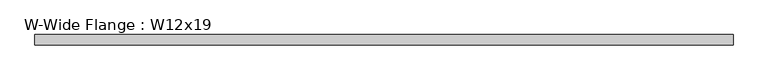
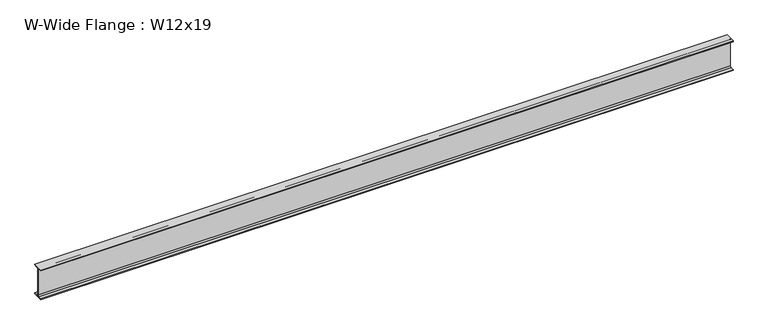
"""IFC4 building model written with IfcOpenShell, lengths in millimetres: beam geometry, W-Wide Flange : W12x19."""

from ifc_helpers import new_model, si_unit, point, frame, frame_2d, origin, place, context, project, spatial, polyline, circle_curve, trimmed, segment, composite_curve, outline, extrude, source, transform, mapped, element, save


def w_wide_flange_w12x19_532cb4d9(model_context):
    return source(origin(), model_context, "Body", "SweptSolid", [
        extrude(outline(composite_curve([segment(polyline([(50.927, -146.05), (50.927, -154.94), (-50.927, -154.94), (-50.927, -146.05), (-16.3195, -146.05)]), True, "CONTINUOUS"), segment(trimmed(circle_curve(frame_2d((-16.3195, -132.715)), 13.335), [point((-16.3195, -146.05))], [point((-2.9845, -132.715))], True, "CARTESIAN"), True, "CONTINUOUS"), segment(polyline([(-2.9845, -132.715), (-2.9845, 132.715)]), True, "CONTINUOUS"), segment(trimmed(circle_curve(frame_2d((-16.3195, 132.715)), 13.335), [point((-2.9845, 132.715))], [point((-16.3195, 146.05))], True, "CARTESIAN"), True, "CONTINUOUS"), segment(polyline([(-16.3195, 146.05), (-50.927, 146.05), (-50.927, 154.94), (50.927, 154.94), (50.927, 146.05), (16.3195, 146.05)]), True, "CONTINUOUS"), segment(trimmed(circle_curve(frame_2d((16.3195, 132.715)), 13.335), [point((16.3195, 146.05))], [point((2.9845, 132.715))], True, "CARTESIAN"), True, "CONTINUOUS"), segment(polyline([(2.9845, 132.715), (2.9845, -132.715)]), True, "CONTINUOUS"), segment(trimmed(circle_curve(frame_2d((16.3195, -132.715)), 13.335), [point((2.9845, -132.715))], [point((16.3195, -146.05))], True, "CARTESIAN"), True, "CONTINUOUS"), segment(polyline([(16.3195, -146.05), (50.927, -146.05)]), True, "CONTINUOUS")], self_intersect=False)), frame((-3430.549376, 0.0, 0.0), z_axis=(1.0, 0.0, 0.0), x_axis=(0.0, 1.0, 0.0)), (0.0, 0.0, 1.0), 6854.4278053),
    ])


if __name__ == "__main__":
    model = new_model("IFC4")
    model_context = context("Model", 3, world=origin())
    ifc_project = project(units=[si_unit("LENGTHUNIT", "METRE", prefix="MILLI")], contexts=[model_context])
    site = spatial("IfcSite", under=ifc_project)
    building = spatial("IfcBuilding", under=site)
    placement = place(None, origin())
    w_wide_flange_w12x19_shape = w_wide_flange_w12x19_532cb4d9(model_context)
    element("IfcBeam", 1, ObjectType="W-Wide Flange : W12x19", at=placement, inside=building, context=model_context, shape_type="MappedRepresentation", body=[
        mapped(w_wide_flange_w12x19_shape, transform((0.0, 0.0, 0.0), x_axis=(1.0, 0.0, 0.0), y_axis=(0.0, 1.0, 0.0), z_axis=(0.0, 0.0, 1.0))),
    ])
    save(model, "model.ifc")
